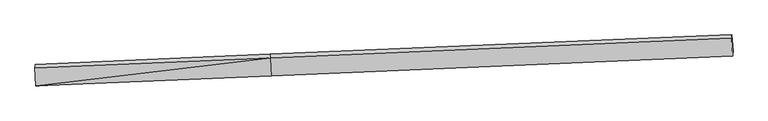
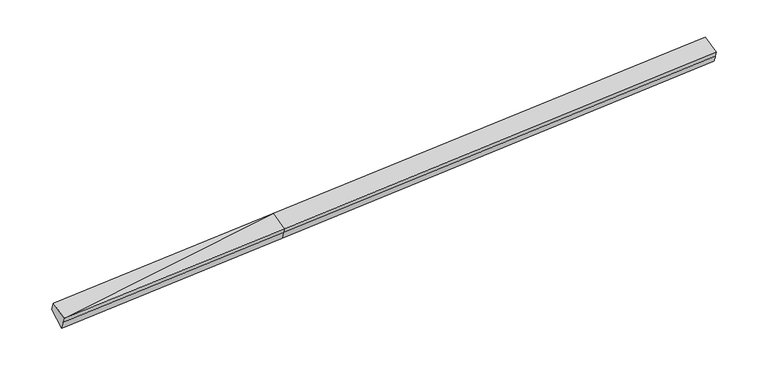
"""IFC4 building model written with IfcOpenShell, lengths in millimetres: proxy geometry."""

from ifc_helpers import new_model, si_unit, frame, origin, place, context, project, spatial, source, transform, mapped, element, save
from ifc_brep_helpers import plane_surface, spline_surface, advanced_brep


def generic_models_5eeabf42(model_context):
    return source(origin(), model_context, "Body", "AdvancedBrep", [
        advanced_brep(
        [(-11413.6379724, -2422.5632577, 1546.0700405), (-11407.2121248, -2355.3394176, 1341.5600399), (-2766.2868319, -1992.7193698, 1732.1386253), (-2772.4117329, -2056.7948642, 1927.070652), (-11451.0100262, -1761.5036508, 1777.0739108), (-2809.7837867, -1395.7352574, 2158.0745223), (-11441.1876766, -1628.7372138, 1437.1267999), (-2800.7928377, -1256.661408, 1830.9179342), (-11397.4147305, -2237.8391394, 1016.076923), (-2757.0198917, -1865.7633337, 1409.8680573), (14156.4264512, -541.2765562, 2651.5329394), (14148.927311, -664.7438862, 2931.2109949), (14186.2993648, -1325.803493, 2700.2071246), (14192.4242657, -1261.7279986, 2505.2750978), (14200.1993972, -1150.3784819, 2230.4830625)],
        [
            (0, 1),
            (1, 2),
            (2, 3),
            (3, 0),
            (4, 0),
            (0, 5),
            (5, 4),
            (6, 4),
            (5, 7),
            (7, 6),
            (8, 6),
            (7, 9),
            (9, 8),
            (1, 8),
            (9, 2),
            (10, 11),
            (11, 12),
            (12, 13),
            (13, 14),
            (14, 10),
            (3, 5),
            (5, 11),
            (10, 7),
            (3, 12),
            (2, 13),
            (9, 14),
        ],
        [
            plane_surface(frame((-11410.4250486, -2388.9513376, 1443.8150402), z_axis=(0.05385539815440105, -0.9491156653722359, -0.3102886556654129), x_axis=(0.029836175747511354, 0.312130387393649, -0.949570652390992))),
            plane_surface(frame((-11432.3239993, -2092.0334542, 1661.5719756), z_axis=(-0.027568750082272633, -0.3311467069690155, 0.9431764535241951), x_axis=(0.05329306411209512, -0.9426801162383783, -0.32941470484230306))),
            spline_surface(1, 1, [[(-11441.1876766, -1628.7372138, 1437.1267999), (-2800.7928377, -1256.661408, 1830.9179342)], [(-11451.0100262, -1761.5036508, 1777.0739108), (-2809.7837867, -1395.7352574, 2158.0745223)]], [2, 2], [2, 2], [0.0, 1.0], [0.0, 1.0]),
            plane_surface(frame((-11419.3012035, -1933.2881766, 1226.6018614), z_axis=(0.012955624547315941, 0.5692112578657744, -0.8220892261253956), x_axis=(-0.05901247319706611, 0.8211604269330393, 0.5676381604916235))),
            spline_surface(1, 1, [[(-11407.2121248, -2355.3394176, 1341.5600399), (-2766.2868319, -1992.7193698, 1732.1386253)], [(-11397.4147305, -2237.8391394, 1016.076923), (-2757.0198917, -1865.7633337, 1409.8680573)]], [2, 2], [2, 2], [0.0, 1.0], [0.0, 1.0]),
            plane_surface(frame((14176.855358, -988.7860832, 2603.7418438), z_axis=(0.9981644417575356, 0.040785338219443884, 0.04476944713968387), x_axis=(-0.024522157817864147, -0.4037376635464539, 0.9145460966020281))),
            plane_surface(frame((-11422.0925061, -2081.1965358, 1423.5815428), z_axis=(-0.9981644417575359, -0.040785338219446104, -0.044769447139674526), x_axis=(-0.029836175747505033, -0.3121303873936485, 0.9495706523909924))),
            plane_surface(frame((-11413.6379724, -2422.5632577, 1546.0700405), z_axis=(-0.02756875008227152, -0.3311467069690232, 0.9431764535241925), x_axis=(0.053293064112094835, -0.9426801162383758, -0.3294147048423108))),
            spline_surface(1, 1, [[(-2800.7928377, -1256.661408, 1830.9179342), (14156.4264512, -541.2765562, 2651.5329394)], [(-2809.7837867, -1395.7352574, 2158.0745223), (14148.927311, -664.7438862, 2931.2109949)]], [2, 2], [2, 2], [0.0, 1.0], [0.0, 1.0]),
            plane_surface(frame((-2791.0977598, -1726.2650608, 2042.5725872), z_axis=(-0.02872062226154763, -0.33119401066052534, 0.9431254705284475), x_axis=(0.053293064112096354, -0.9426801162383757, -0.32941470484231067))),
            plane_surface(frame((-2769.3492824, -2024.757117, 1829.6046387), z_axis=(0.05505203928690728, -0.9490647689770868, -0.31023432636770204), x_axis=(0.029836175747516628, 0.312130387393649, -0.9495706523909919))),
            spline_surface(1, 1, [[(-2766.2868319, -1992.7193698, 1732.1386253), (14192.4242657, -1261.7279986, 2505.2750978)], [(-2757.0198917, -1865.7633337, 1409.8680573), (14200.1993972, -1150.3784819, 2230.4830625)]], [2, 2], [2, 2], [0.0, 1.0], [0.0, 1.0]),
            plane_surface(frame((-2778.9063647, -1561.2123709, 1620.3929957), z_axis=(0.015758949203284366, 0.5693246094463666, -0.8219617658983602), x_axis=(-0.05901247319706538, 0.8211604269330395, 0.5676381604916235))),
        ],
        [
            (0, [[1, 2, 3, 4]]),
            (1, [[5, 6, 7]]),
            (2, [[8, -7, 9, 10]]),
            (3, [[11, -10, 12, 13]]),
            (4, [[14, -13, 15, -2]]),
            (5, [[16, 17, 18, 19, 20]]),
            (6, [[-1, -5, -8, -11, -14]]),
            (7, [[21, -6, -4]]),
            (8, [[-9, 22, -16, 23]]),
            (9, [[-21, 24, -17, -22]]),
            (10, [[-3, 25, -18, -24]]),
            (11, [[-15, 26, -19, -25]]),
            (12, [[-12, -23, -20, -26]]),
        ],
    ),
    ])


if __name__ == "__main__":
    model = new_model("IFC4")
    model_context = context("Model", 3, world=origin())
    ifc_project = project(units=[si_unit("LENGTHUNIT", "METRE", prefix="MILLI")], contexts=[model_context])
    site = spatial("IfcSite", under=ifc_project)
    building = spatial("IfcBuilding", under=site)
    placement = place(None, origin())
    generic_models_shape = generic_models_5eeabf42(model_context)
    element("IfcBuildingElementProxy", 1, Name="Generic Models", at=placement, inside=building, context=model_context, shape_type="MappedRepresentation", body=[
        mapped(generic_models_shape, transform((0.0, 0.0, 0.0), x_axis=(1.0, 0.0, 0.0), y_axis=(0.0, 1.0, 0.0), z_axis=(0.0, 0.0, 1.0))),
    ])
    save(model, "model.ifc")
